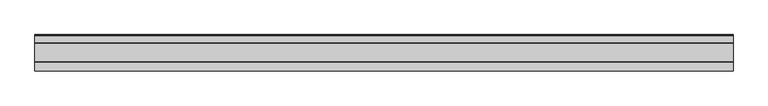
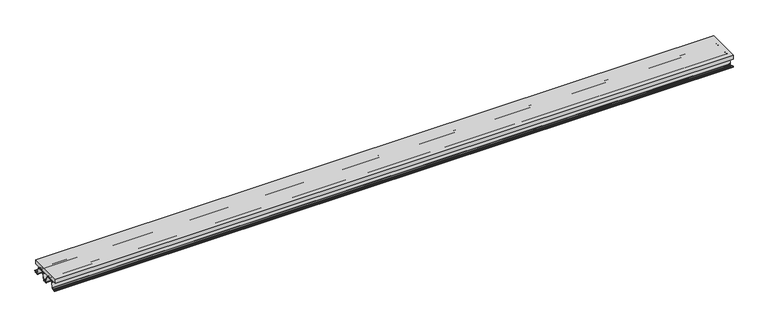
"""IFC4 building model written with IfcOpenShell, lengths in millimetres: beam geometry."""

from ifc_helpers import new_model, si_unit, point, frame, frame_2d, origin, place, context, project, spatial, polyline, circle_curve, trimmed, segment, composite_curve, outline, extrude, source, transform, mapped, element, save


def beam_dabd65a8(model_context):
    return source(origin(), model_context, "Body", "SweptSolid", [
        extrude(outline(composite_curve([segment(trimmed(circle_curve(frame_2d((98.0804838, -83.8358355)), 2.3116624), [point((98.0804838, -81.524173))], [point((96.0207775, -84.8853082))], True, "CARTESIAN"), True, "CONTINUOUS"), segment(polyline([(96.0207775, -84.8853082), (99.1101829, -90.9486078)]), True, "CONTINUOUS"), segment(trimmed(circle_curve(frame_2d((95.6924285, -92.6900406)), 3.8358355), [point((99.1101829, -90.9486078))], [point((95.6924285, -96.5258761))], False, "CARTESIAN"), True, "CONTINUOUS"), segment(polyline([(95.6924285, -96.5258761), (70.2846598, -96.5258761)]), True, "CONTINUOUS"), segment(trimmed(circle_curve(frame_2d((70.2846598, -98.8375385)), 2.3116624), [point((70.2846598, -96.5258761))], [point((68.0473007, -98.2561546))], True, "CARTESIAN"), True, "CONTINUOUS"), segment(polyline([(68.0473007, -98.2561546), (31.5600624, -238.6712172)]), True, "CONTINUOUS"), segment(trimmed(circle_curve(frame_2d((27.8475214, -237.7065032)), 3.8358355), [point((31.5600624, -238.6712172))], [point((27.8475214, -241.5423387))], False, "CARTESIAN"), True, "CONTINUOUS"), segment(polyline([(27.8475214, -241.5423387), (-27.1124588, -241.5423387)]), True, "CONTINUOUS"), segment(trimmed(circle_curve(frame_2d((-27.1124588, -237.7065032)), 3.8358355), [point((-27.1124588, -241.5423387))], [point((-30.8249998, -238.6712172))], False, "CARTESIAN"), True, "CONTINUOUS"), segment(polyline([(-30.8249998, -238.6712172), (-67.3122381, -98.2561546)]), True, "CONTINUOUS"), segment(trimmed(circle_curve(frame_2d((-69.5495973, -98.8375385)), 2.3116624), [point((-67.3122381, -98.2561546))], [point((-69.5495973, -96.5258761))], True, "CARTESIAN"), True, "CONTINUOUS"), segment(polyline([(-69.5495973, -96.5258761), (-94.9573659, -96.5258761)]), True, "CONTINUOUS"), segment(trimmed(circle_curve(frame_2d((-94.9573659, -92.6900406)), 3.8358355), [point((-94.9573659, -96.5258761))], [point((-98.3751203, -90.9486078))], False, "CARTESIAN"), True, "CONTINUOUS"), segment(polyline([(-98.3751203, -90.9486078), (-95.2857149, -84.8853082)]), True, "CONTINUOUS"), segment(trimmed(circle_curve(frame_2d((-97.3454212, -83.8358355)), 2.3116624), [point((-95.2857149, -84.8853082))], [point((-97.3454212, -81.524173))], True, "CARTESIAN"), True, "CONTINUOUS"), segment(polyline([(-97.3454212, -81.524173), (-119.5495164, -81.524173)]), True, "CONTINUOUS"), segment(trimmed(circle_curve(frame_2d((-119.5783347, -83.8293363)), 2.3053434), [point((-119.5495164, -81.524173))], [point((-121.8271989, -83.3221697))], True, "CARTESIAN"), True, "CONTINUOUS"), segment(trimmed(circle_curve(frame_2d((-132.0863412, -81.0085153)), 10.516796), [point((-121.8271989, -83.3221697))], [point((-132.0947817, -91.525308))], False, "CARTESIAN"), True, "CONTINUOUS"), segment(trimmed(circle_curve(frame_2d((-132.094782, -81.0085136)), 10.5167943), [point((-132.0947817, -91.525308))], [point((-142.2041735, -83.907335))], False, "CARTESIAN"), True, "CONTINUOUS"), segment(trimmed(circle_curve(frame_2d((-144.5873355, -83.907335)), 2.383162), [point((-142.2041735, -83.907335))], [point((-144.5873355, -81.524173))], True, "CARTESIAN"), True, "CONTINUOUS"), segment(polyline([(-144.5873355, -81.524173), (-166.835702, -81.524173)]), True, "CONTINUOUS"), segment(trimmed(circle_curve(frame_2d((-166.835702, -83.8358355)), 2.3116624), [point((-166.835702, -81.524173))], [point((-168.8954083, -84.8853082))], True, "CARTESIAN"), True, "CONTINUOUS"), segment(polyline([(-168.8954083, -84.8853082), (-165.8060029, -90.9486078)]), True, "CONTINUOUS"), segment(trimmed(circle_curve(frame_2d((-169.2237573, -92.6900406)), 3.8358355), [point((-165.8060029, -90.9486078))], [point((-169.2237573, -96.5258761))], False, "CARTESIAN"), True, "CONTINUOUS"), segment(polyline([(-169.2237573, -96.5258761), (-194.631526, -96.5258761)]), True, "CONTINUOUS"), segment(trimmed(circle_curve(frame_2d((-194.631526, -98.8375385)), 2.3116624), [point((-194.631526, -96.5258761))], [point((-196.8688851, -98.2561546))], True, "CARTESIAN"), True, "CONTINUOUS"), segment(polyline([(-196.8688851, -98.2561546), (-233.3561235, -238.6712172)]), True, "CONTINUOUS"), segment(trimmed(circle_curve(frame_2d((-237.0686645, -237.7065032)), 3.8358355), [point((-233.3561235, -238.6712172))], [point((-237.0686645, -241.5423387))], False, "CARTESIAN"), True, "CONTINUOUS"), segment(polyline([(-237.0686645, -241.5423387), (-287.9376168, -241.5423387)]), True, "CONTINUOUS"), segment(trimmed(circle_curve(frame_2d((-287.9376168, -237.7065032)), 3.8358355), [point((-287.9376168, -241.5423387))], [point((-291.6595116, -236.7785307))], False, "CARTESIAN"), True, "CONTINUOUS"), segment(polyline([(-291.6595116, -236.7785307), (-286.8304388, -217.4101774)]), True, "CONTINUOUS"), segment(trimmed(circle_curve(frame_2d((-289.0734349, -216.8509357)), 2.3116624), [point((-286.8304388, -217.4101774))], [point((-289.0734349, -214.5392732))], True, "CARTESIAN"), True, "CONTINUOUS"), segment(polyline([(-289.0734349, -214.5392732), (-313.3317006, -214.5392732)]), True, "CONTINUOUS"), segment(trimmed(circle_curve(frame_2d((-313.3317006, -216.8509357)), 2.3116624), [point((-313.3317006, -214.5392732))], [point((-315.6433631, -216.8509357))], True, "CARTESIAN"), True, "CONTINUOUS"), segment(polyline([(-315.6433631, -216.8509357), (-315.6433631, -225.0164626), (-317.1675361, -225.0164626), (-317.1675361, -216.8509357)]), True, "CONTINUOUS"), segment(trimmed(circle_curve(frame_2d((-313.3317006, -216.8509357)), 3.8358355), [point((-317.1675361, -216.8509357))], [point((-313.3317006, -213.0151002))], False, "CARTESIAN"), True, "CONTINUOUS"), segment(polyline([(-313.3317006, -213.0151002), (-289.0734349, -213.0151002)]), True, "CONTINUOUS"), segment(trimmed(circle_curve(frame_2d((-289.0734349, -216.8509357)), 3.8358355), [point((-289.0734349, -213.0151002))], [point((-285.3515402, -217.7789083))], False, "CARTESIAN"), True, "CONTINUOUS"), segment(polyline([(-285.3515402, -217.7789083), (-290.180613, -237.1472615)]), True, "CONTINUOUS"), segment(trimmed(circle_curve(frame_2d((-287.9376168, -237.7065032)), 2.3116624), [point((-290.180613, -237.1472615))], [point((-287.9376168, -240.0181657))], True, "CARTESIAN"), True, "CONTINUOUS"), segment(polyline([(-287.9376168, -240.0181657), (-237.0686645, -240.0181657)]), True, "CONTINUOUS"), segment(trimmed(circle_curve(frame_2d((-237.0686645, -237.7065032)), 2.3116624), [point((-237.0686645, -240.0181657))], [point((-234.8313053, -238.2878871))], True, "CARTESIAN"), True, "CONTINUOUS"), segment(polyline([(-234.8313053, -238.2878871), (-229.9139501, -219.3642644)]), True, "CONTINUOUS"), segment(trimmed(circle_curve(frame_2d((-231.389132, -218.9809344)), 1.524173), [point((-229.9139501, -219.3642644))], [point((-229.9608647, -218.4488104))], True, "CARTESIAN"), True, "CONTINUOUS"), segment(polyline([(-229.9608647, -218.4488104), (-231.5913091, -214.0725547)]), True, "CONTINUOUS"), segment(trimmed(circle_curve(frame_2d((-228.7347745, -213.0083068)), 3.0483461), [point((-231.5913091, -214.0725547))], [point((-231.6851382, -212.2416467))], False, "CARTESIAN"), True, "CONTINUOUS"), segment(polyline([(-231.6851382, -212.2416467), (-208.2760706, -122.1557468)]), True, "CONTINUOUS"), segment(trimmed(circle_curve(frame_2d((-205.3257069, -122.9224069)), 3.0483461), [point((-208.2760706, -122.1557468))], [point((-207.3027652, -120.6021366))], False, "CARTESIAN"), True, "CONTINUOUS"), segment(polyline([(-207.3027652, -120.6021366), (-203.7480748, -117.5732524)]), True, "CONTINUOUS"), segment(trimmed(circle_curve(frame_2d((-204.736604, -116.4131172)), 1.524173), [point((-203.7480748, -117.5732524))], [point((-203.2614221, -116.7964473))], True, "CARTESIAN"), True, "CONTINUOUS"), segment(polyline([(-203.2614221, -116.7964473), (-198.344067, -97.8728245)]), True, "CONTINUOUS"), segment(trimmed(circle_curve(frame_2d((-194.631526, -98.8375385)), 3.8358355), [point((-198.344067, -97.8728245))], [point((-194.631526, -95.001703))], False, "CARTESIAN"), True, "CONTINUOUS"), segment(polyline([(-194.631526, -95.001703), (-169.2237573, -95.001703)]), True, "CONTINUOUS"), segment(trimmed(circle_curve(frame_2d((-169.2237573, -92.6900406)), 2.3116624), [point((-169.2237573, -95.001703))], [point((-167.164051, -91.6405678))], True, "CARTESIAN"), True, "CONTINUOUS"), segment(polyline([(-167.164051, -91.6405678), (-170.2534564, -85.5772683)]), True, "CONTINUOUS"), segment(trimmed(circle_curve(frame_2d((-166.835702, -83.8358355)), 3.8358355), [point((-170.2534564, -85.5772683))], [point((-166.835702, -80.0))], False, "CARTESIAN"), True, "CONTINUOUS"), segment(polyline([(-166.835702, -80.0), (-144.6316068, -80.0)]), True, "CONTINUOUS"), segment(trimmed(circle_curve(frame_2d((-144.6316068, -83.9161208)), 3.9161208), [point((-144.6316068, -80.0))], [point((-140.7390445, -83.4872151))], False, "CARTESIAN"), True, "CONTINUOUS"), segment(trimmed(circle_curve(frame_2d((-132.094782, -81.0085138)), 8.9926211), [point((-140.7390445, -83.4872151))], [point((-132.094782, -90.0011349))], True, "CARTESIAN"), True, "CONTINUOUS"), segment(trimmed(circle_curve(frame_2d((-132.0863412, -81.0085153)), 8.9926235), [point((-132.094782, -90.0011349))], [point((-123.4420769, -83.4872188))], True, "CARTESIAN"), True, "CONTINUOUS"), segment(trimmed(circle_curve(frame_2d((-119.5495164, -83.9161182)), 3.9161182), [point((-123.4420769, -83.4872188))], [point((-119.5495164, -80.0))], False, "CARTESIAN"), True, "CONTINUOUS"), segment(polyline([(-119.5495164, -80.0), (-97.3454212, -80.0)]), True, "CONTINUOUS"), segment(trimmed(circle_curve(frame_2d((-97.3454212, -83.8358355)), 3.8358355), [point((-97.3454212, -80.0))], [point((-93.9276668, -85.5772683))], False, "CARTESIAN"), True, "CONTINUOUS"), segment(polyline([(-93.9276668, -85.5772683), (-97.0170722, -91.6405678)]), True, "CONTINUOUS"), segment(trimmed(circle_curve(frame_2d((-94.9573659, -92.6900406)), 2.3116624), [point((-97.0170722, -91.6405678))], [point((-94.9573659, -95.001703))], True, "CARTESIAN"), True, "CONTINUOUS"), segment(polyline([(-94.9573659, -95.001703), (-69.5495973, -95.001703)]), True, "CONTINUOUS"), segment(trimmed(circle_curve(frame_2d((-69.5495973, -98.8375385)), 3.8358355), [point((-69.5495973, -95.001703))], [point((-65.8370563, -97.8728245))], False, "CARTESIAN"), True, "CONTINUOUS"), segment(polyline([(-65.8370563, -97.8728245), (-60.9197011, -116.7964473)]), True, "CONTINUOUS"), segment(trimmed(circle_curve(frame_2d((-59.4445193, -116.4131172)), 1.524173), [point((-60.9197011, -116.7964473))], [point((-60.4330484, -117.5732524))], True, "CARTESIAN"), True, "CONTINUOUS"), segment(polyline([(-60.4330484, -117.5732524), (-56.8783581, -120.6021366)]), True, "CONTINUOUS"), segment(trimmed(circle_curve(frame_2d((-58.8554164, -122.9224069)), 3.0483461), [point((-56.8783581, -120.6021366))], [point((-55.9050527, -122.1557468))], False, "CARTESIAN"), True, "CONTINUOUS"), segment(polyline([(-55.9050527, -122.1557468), (-32.495985, -212.2416467)]), True, "CONTINUOUS"), segment(trimmed(circle_curve(frame_2d((-35.4463487, -213.0083068)), 3.0483461), [point((-32.495985, -212.2416467))], [point((-32.5898141, -214.0725547))], False, "CARTESIAN"), True, "CONTINUOUS"), segment(polyline([(-32.5898141, -214.0725547), (-34.2202586, -218.4488104)]), True, "CONTINUOUS"), segment(trimmed(circle_curve(frame_2d((-32.7919912, -218.9809344)), 1.524173), [point((-34.2202586, -218.4488104))], [point((-34.2671731, -219.3642644))], True, "CARTESIAN"), True, "CONTINUOUS"), segment(polyline([(-34.2671731, -219.3642644), (-29.3498179, -238.2878871)]), True, "CONTINUOUS"), segment(trimmed(circle_curve(frame_2d((-27.1124588, -237.7065032)), 2.3116624), [point((-29.3498179, -238.2878871))], [point((-27.1124588, -240.0181657))], True, "CARTESIAN"), True, "CONTINUOUS"), segment(polyline([(-27.1124588, -240.0181657), (27.8475214, -240.0181657)]), True, "CONTINUOUS"), segment(trimmed(circle_curve(frame_2d((27.8475214, -237.7065032)), 2.3116624), [point((27.8475214, -240.0181657))], [point((30.0848805, -238.2878871))], True, "CARTESIAN"), True, "CONTINUOUS"), segment(polyline([(30.0848805, -238.2878871), (35.0022357, -219.3642644)]), True, "CONTINUOUS"), segment(trimmed(circle_curve(frame_2d((33.5270538, -218.9809344)), 1.524173), [point((35.0022357, -219.3642644))], [point((34.9553211, -218.4488104))], True, "CARTESIAN"), True, "CONTINUOUS"), segment(polyline([(34.9553211, -218.4488104), (33.3248767, -214.0725547)]), True, "CONTINUOUS"), segment(trimmed(circle_curve(frame_2d((36.1814113, -213.0083068)), 3.0483461), [point((33.3248767, -214.0725547))], [point((33.2310476, -212.2416467))], False, "CARTESIAN"), True, "CONTINUOUS"), segment(polyline([(33.2310476, -212.2416467), (56.6401152, -122.1557468)]), True, "CONTINUOUS"), segment(trimmed(circle_curve(frame_2d((59.5904789, -122.9224069)), 3.0483461), [point((56.6401152, -122.1557468))], [point((57.6134206, -120.6021366))], False, "CARTESIAN"), True, "CONTINUOUS"), segment(polyline([(57.6134206, -120.6021366), (61.168111, -117.5732524)]), True, "CONTINUOUS"), segment(trimmed(circle_curve(frame_2d((60.1795818, -116.4131172)), 1.524173), [point((61.168111, -117.5732524))], [point((61.6547637, -116.7964473))], True, "CARTESIAN"), True, "CONTINUOUS"), segment(polyline([(61.6547637, -116.7964473), (66.5721188, -97.8728245)]), True, "CONTINUOUS"), segment(trimmed(circle_curve(frame_2d((70.2846598, -98.8375385)), 3.8358355), [point((66.5721188, -97.8728245))], [point((70.2846598, -95.001703))], False, "CARTESIAN"), True, "CONTINUOUS"), segment(polyline([(70.2846598, -95.001703), (95.6924285, -95.001703)]), True, "CONTINUOUS"), segment(trimmed(circle_curve(frame_2d((95.6924285, -92.6900406)), 2.3116624), [point((95.6924285, -95.001703))], [point((97.7521348, -91.6405678))], True, "CARTESIAN"), True, "CONTINUOUS"), segment(polyline([(97.7521348, -91.6405678), (94.6627294, -85.5772683)]), True, "CONTINUOUS"), segment(trimmed(circle_curve(frame_2d((98.0804838, -83.8358355)), 3.8358355), [point((94.6627294, -85.5772683))], [point((98.0804838, -80.0))], False, "CARTESIAN"), True, "CONTINUOUS"), segment(polyline([(98.0804838, -80.0), (120.284579, -80.0)]), True, "CONTINUOUS"), segment(trimmed(circle_curve(frame_2d((120.284579, -83.9161182)), 3.9161182), [point((120.284579, -80.0))], [point((124.1771395, -83.4872184))], False, "CARTESIAN"), True, "CONTINUOUS"), segment(trimmed(circle_curve(frame_2d((132.8214038, -81.0085155)), 8.9926233), [point((124.1771395, -83.4872184))], [point((132.8296917, -90.001135))], True, "CARTESIAN"), True, "CONTINUOUS"), segment(trimmed(circle_curve(frame_2d((132.8298446, -81.0085136)), 8.9926214), [point((132.8296917, -90.001135))], [point((141.474107, -83.4872161))], True, "CARTESIAN"), True, "CONTINUOUS"), segment(trimmed(circle_curve(frame_2d((145.3666694, -83.9161207)), 3.9161207), [point((141.474107, -83.4872161))], [point((145.3666694, -80.0))], False, "CARTESIAN"), True, "CONTINUOUS"), segment(polyline([(145.3666694, -80.0), (167.5707646, -80.0)]), True, "CONTINUOUS"), segment(trimmed(circle_curve(frame_2d((167.5707646, -83.8358355)), 3.8358355), [point((167.5707646, -80.0))], [point((170.988519, -85.5772683))], False, "CARTESIAN"), True, "CONTINUOUS"), segment(polyline([(170.988519, -85.5772683), (167.8991136, -91.6405678)]), True, "CONTINUOUS"), segment(trimmed(circle_curve(frame_2d((169.9588199, -92.6900406)), 2.3116624), [point((167.8991136, -91.6405678))], [point((169.9588199, -95.001703))], True, "CARTESIAN"), True, "CONTINUOUS"), segment(polyline([(169.9588199, -95.001703), (195.3665886, -95.001703)]), True, "CONTINUOUS"), segment(trimmed(circle_curve(frame_2d((195.3665886, -98.8375385)), 3.8358355), [point((195.3665886, -95.001703))], [point((199.0791296, -97.8728245))], False, "CARTESIAN"), True, "CONTINUOUS"), segment(polyline([(199.0791296, -97.8728245), (203.9964847, -116.7964473)]), True, "CONTINUOUS"), segment(trimmed(circle_curve(frame_2d((205.4716666, -116.4131172)), 1.524173), [point((203.9964847, -116.7964473))], [point((204.4831374, -117.5732524))], True, "CARTESIAN"), True, "CONTINUOUS"), segment(polyline([(204.4831374, -117.5732524), (208.0378277, -120.6021366)]), True, "CONTINUOUS"), segment(trimmed(circle_curve(frame_2d((206.0607694, -122.9224069)), 3.0483461), [point((208.0378277, -120.6021366))], [point((209.0111332, -122.1557468))], False, "CARTESIAN"), True, "CONTINUOUS"), segment(polyline([(209.0111332, -122.1557468), (232.4202008, -212.2416467)]), True, "CONTINUOUS"), segment(trimmed(circle_curve(frame_2d((229.4698371, -213.0083068)), 3.0483461), [point((232.4202008, -212.2416467))], [point((232.3263717, -214.0725547))], False, "CARTESIAN"), True, "CONTINUOUS"), segment(polyline([(232.3263717, -214.0725547), (230.6959273, -218.4488104)]), True, "CONTINUOUS"), segment(trimmed(circle_curve(frame_2d((232.1241946, -218.9809344)), 1.524173), [point((230.6959273, -218.4488104))], [point((230.6490127, -219.3642644))], True, "CARTESIAN"), True, "CONTINUOUS"), segment(polyline([(230.6490127, -219.3642644), (235.5663679, -238.2878871)]), True, "CONTINUOUS"), segment(trimmed(circle_curve(frame_2d((237.803727, -237.7065032)), 2.3116624), [point((235.5663679, -238.2878871))], [point((237.803727, -240.0181657))], True, "CARTESIAN"), True, "CONTINUOUS"), segment(polyline([(237.803727, -240.0181657), (288.3588175, -240.0181657)]), True, "CONTINUOUS"), segment(trimmed(circle_curve(frame_2d((288.3588175, -237.7065032)), 2.3116624), [point((288.3588175, -240.0181657))], [point((290.6199646, -237.2258816))], True, "CARTESIAN"), True, "CONTINUOUS"), segment(polyline([(290.6199646, -237.2258816), (286.8838146, -219.6486778)]), True, "CONTINUOUS"), segment(trimmed(circle_curve(frame_2d((290.6358278, -218.8511627)), 3.8358355), [point((286.8838146, -219.6486778))], [point((290.6358278, -215.0153273))], False, "CARTESIAN"), True, "CONTINUOUS"), segment(polyline([(290.6358278, -215.0153273), (303.1608006, -215.0153273)]), True, "CONTINUOUS"), segment(trimmed(circle_curve(frame_2d((303.1608006, -218.8511627)), 3.8358355), [point((303.1608006, -215.0153273))], [point((306.9128138, -219.6486778))], False, "CARTESIAN"), True, "CONTINUOUS"), segment(polyline([(306.9128138, -219.6486778), (305.6103746, -225.7761725), (304.1195084, -225.4592791), (305.4219477, -219.3317844)]), True, "CONTINUOUS"), segment(trimmed(circle_curve(frame_2d((303.1608006, -218.8511627)), 2.3116624), [point((305.4219477, -219.3317844))], [point((303.1608006, -216.5395003))], True, "CARTESIAN"), True, "CONTINUOUS"), segment(polyline([(303.1608006, -216.5395003), (290.6358278, -216.5395003)]), True, "CONTINUOUS"), segment(trimmed(circle_curve(frame_2d((290.6358278, -218.8511627)), 2.3116624), [point((290.6358278, -216.5395003))], [point((288.3746808, -219.3317844))], True, "CARTESIAN"), True, "CONTINUOUS"), segment(polyline([(288.3746808, -219.3317844), (292.1108308, -236.9089882)]), True, "CONTINUOUS"), segment(trimmed(circle_curve(frame_2d((288.3588175, -237.7065032)), 3.8358355), [point((292.1108308, -236.9089882))], [point((288.3588175, -241.5423387))], False, "CARTESIAN"), True, "CONTINUOUS"), segment(polyline([(288.3588175, -241.5423387), (237.803727, -241.5423387)]), True, "CONTINUOUS"), segment(trimmed(circle_curve(frame_2d((237.803727, -237.7065032)), 3.8358355), [point((237.803727, -241.5423387))], [point((234.091186, -238.6712172))], False, "CARTESIAN"), True, "CONTINUOUS"), segment(polyline([(234.091186, -238.6712172), (197.6039477, -98.2561546)]), True, "CONTINUOUS"), segment(trimmed(circle_curve(frame_2d((195.3665886, -98.8375385)), 2.3116624), [point((197.6039477, -98.2561546))], [point((195.3665886, -96.5258761))], True, "CARTESIAN"), True, "CONTINUOUS"), segment(polyline([(195.3665886, -96.5258761), (169.9588199, -96.5258761)]), True, "CONTINUOUS"), segment(trimmed(circle_curve(frame_2d((169.9588199, -92.6900406)), 3.8358355), [point((169.9588199, -96.5258761))], [point((166.5410655, -90.9486078))], False, "CARTESIAN"), True, "CONTINUOUS"), segment(polyline([(166.5410655, -90.9486078), (169.6304709, -84.8853082)]), True, "CONTINUOUS"), segment(trimmed(circle_curve(frame_2d((167.5707646, -83.8358355)), 2.3116624), [point((169.6304709, -84.8853082))], [point((167.5707646, -81.524173))], True, "CARTESIAN"), True, "CONTINUOUS"), segment(polyline([(167.5707646, -81.524173), (145.3223981, -81.524173)]), True, "CONTINUOUS"), segment(trimmed(circle_curve(frame_2d((145.3223981, -83.907335)), 2.383162), [point((145.3223981, -81.524173))], [point((142.9392361, -83.907335))], True, "CARTESIAN"), True, "CONTINUOUS"), segment(trimmed(circle_curve(frame_2d((132.8298446, -81.0085136)), 10.5167943), [point((142.9392361, -83.907335))], [point((132.8300234, -91.525308))], False, "CARTESIAN"), True, "CONTINUOUS"), segment(trimmed(circle_curve(frame_2d((132.8214038, -81.0085155)), 10.516796), [point((132.8300234, -91.525308))], [point((122.7300995, -83.9696935))], False, "CARTESIAN"), True, "CONTINUOUS"), segment(trimmed(circle_curve(frame_2d((120.284579, -83.9696935)), 2.4455205), [point((122.7300995, -83.9696935))], [point((120.284579, -81.524173))], True, "CARTESIAN"), True, "CONTINUOUS"), segment(polyline([(120.284579, -81.524173), (98.0804838, -81.524173)]), True, "CONTINUOUS")], self_intersect=False), holes=[composite_curve([segment(trimmed(circle_curve(frame_2d((-205.3257069, -122.9224069)), 1.524173), [point((-206.314236, -121.7622717))], [point((-206.8008887, -122.5390768))], True, "CARTESIAN"), True, "CONTINUOUS"), segment(polyline([(-206.8008887, -122.5390768), (-230.2099564, -212.6249767)]), True, "CONTINUOUS"), segment(trimmed(circle_curve(frame_2d((-228.7347745, -213.0083068)), 1.524173), [point((-230.2099564, -212.6249767))], [point((-230.1630418, -213.5404307))], True, "CARTESIAN"), True, "CONTINUOUS"), segment(polyline([(-230.1630418, -213.5404307), (-229.1247711, -216.3272403), (-204.0506012, -119.8334714), (-206.314236, -121.7622717)]), True, "CONTINUOUS")], self_intersect=False), composite_curve([segment(polyline([(-57.8668872, -121.7622717), (-60.1305221, -119.8334714), (-35.0563521, -216.3272403), (-34.0180814, -213.5404307)]), True, "CONTINUOUS"), segment(trimmed(circle_curve(frame_2d((-35.4463487, -213.0083068)), 1.524173), [point((-34.0180814, -213.5404307))], [point((-33.9711669, -212.6249767))], True, "CARTESIAN"), True, "CONTINUOUS"), segment(polyline([(-33.9711669, -212.6249767), (-57.3802345, -122.5390768)]), True, "CONTINUOUS"), segment(trimmed(circle_curve(frame_2d((-58.8554164, -122.9224069)), 1.524173), [point((-57.3802345, -122.5390768))], [point((-57.8668872, -121.7622717))], True, "CARTESIAN"), True, "CONTINUOUS")], self_intersect=False), composite_curve([segment(trimmed(circle_curve(frame_2d((59.5904789, -122.9224069)), 1.524173), [point((58.6019498, -121.7622717))], [point((58.1152971, -122.5390768))], True, "CARTESIAN"), True, "CONTINUOUS"), segment(polyline([(58.1152971, -122.5390768), (34.7062294, -212.6249767)]), True, "CONTINUOUS"), segment(trimmed(circle_curve(frame_2d((36.1814113, -213.0083068)), 1.524173), [point((34.7062294, -212.6249767))], [point((34.753144, -213.5404307))], True, "CARTESIAN"), True, "CONTINUOUS"), segment(polyline([(34.753144, -213.5404307), (35.7914147, -216.3272403), (60.8655846, -119.8334714), (58.6019498, -121.7622717)]), True, "CONTINUOUS")], self_intersect=False), composite_curve([segment(polyline([(207.0492986, -121.7622717), (204.7856637, -119.8334714), (229.8598337, -216.3272403), (230.8981044, -213.5404307)]), True, "CONTINUOUS"), segment(trimmed(circle_curve(frame_2d((229.4698371, -213.0083068)), 1.524173), [point((230.8981044, -213.5404307))], [point((230.945019, -212.6249767))], True, "CARTESIAN"), True, "CONTINUOUS"), segment(polyline([(230.945019, -212.6249767), (207.5359513, -122.5390768)]), True, "CONTINUOUS"), segment(trimmed(circle_curve(frame_2d((206.0607694, -122.9224069)), 1.524173), [point((207.5359513, -122.5390768))], [point((207.0492986, -121.7622717))], True, "CARTESIAN"), True, "CONTINUOUS")], self_intersect=False)]), frame((-6000.0, 0.0, 0.0), z_axis=(1.0, 0.0, 0.0), x_axis=(0.0, 1.0, 0.0)), (0.0, 0.0, 1.0), 12000.0),
        extrude(outline(polyline([(6000.0, 282.8324639), (6000.0, -317.1675361), (-6000.0, -317.1675361), (-6000.0, 282.8324639), (6000.0, 282.8324639)])), frame((0.0, 0.0, -80.0), z_axis=(0.0, 0.0, 1.0), x_axis=(1.0, 0.0, 0.0)), (0.0, 0.0, 1.0), 80.0),
    ])


if __name__ == "__main__":
    model = new_model("IFC4")
    model_context = context("Model", 3, world=origin())
    ifc_project = project(units=[si_unit("LENGTHUNIT", "METRE", prefix="MILLI")], contexts=[model_context])
    site = spatial("IfcSite", under=ifc_project)
    building = spatial("IfcBuilding", under=site)
    placement = place(None, origin())
    beam_shape = beam_dabd65a8(model_context)
    element("IfcBeam", 1, at=placement, inside=building, context=model_context, shape_type="MappedRepresentation", body=[
        mapped(beam_shape, transform((0.0, 0.0, 0.0), x_axis=(1.0, 0.0, 0.0), y_axis=(0.0, 1.0, 0.0), z_axis=(0.0, 0.0, 1.0))),
    ])
    save(model, "model.ifc")
